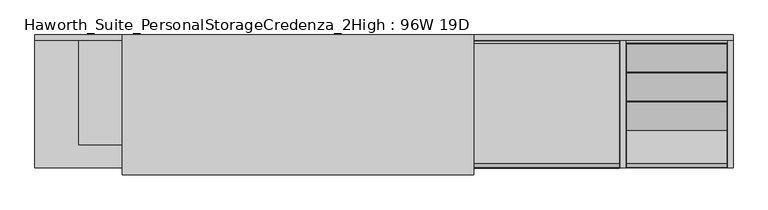
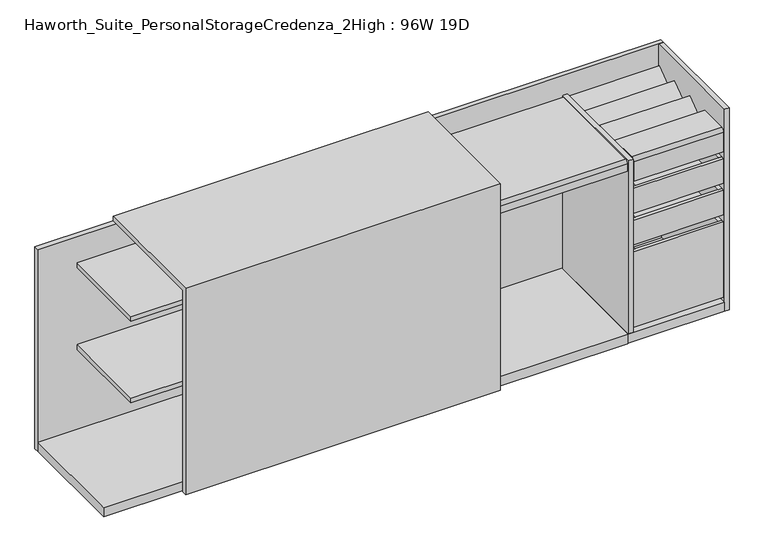
"""IFC4 building model written with IfcOpenShell, lengths in millimetres: furniture geometry, Haworth_Suite_PersonalStorageCredenza_2High : 96W 19D."""

from ifc_helpers import new_model, si_unit, point, frame, frame_2d, origin, origin_with_axes, place, context, project, spatial, polyline, circle_curve, trimmed, segment, composite_curve, outline, extrude, source, transform, mapped, element, save


def haworth_suite_personalstoragecredenza_2high_96w_19d_a63106ba(model_context):
    return source(origin(), model_context, "Body", "SweptSolid", [
        extrude(outline(polyline([(1171.575, -582.6125), (1171.575, -201.6125), (1184.275, -201.6125), (1184.275, -582.6125), (1171.575, -582.6125)])), frame((0.0, 0.0, 527.05), z_axis=(0.0, 0.0, 1.0), x_axis=(1.0, 0.0, 0.0)), (0.0, 0.0, 1.0), 101.6),
        extrude(outline(polyline([(835.025, -201.6125), (847.725, -201.6125), (847.725, -582.6125), (835.025, -582.6125), (835.025, -201.6125)])), frame((0.0, 0.0, 527.05), z_axis=(0.0, 0.0, 1.0), x_axis=(1.0, 0.0, 0.0)), (0.0, 0.0, 1.0), 101.6),
        extrude(outline(polyline([(835.025, -201.6125), (835.025, -188.9125), (1184.275, -188.9125), (1184.275, -201.6125), (835.025, -201.6125)])), frame((0.0, 0.0, 527.05), z_axis=(0.0, 0.0, 1.0), x_axis=(1.0, 0.0, 0.0)), (0.0, 0.0, 1.0), 101.6),
        extrude(outline(polyline([(835.025, -595.3125), (835.025, -582.6125), (1184.275, -582.6125), (1184.275, -595.3125), (835.025, -595.3125)])), frame((0.0, 0.0, 527.05), z_axis=(0.0, 0.0, 1.0), x_axis=(1.0, 0.0, 0.0)), (0.0, 0.0, 1.0), 101.6),
        extrude(outline(polyline([(847.725, -582.6125), (847.725, -201.6125), (1171.575, -201.6125), (1171.575, -582.6125), (847.725, -582.6125)])), frame((0.0, 0.0, 527.05), z_axis=(0.0, 0.0, 1.0), x_axis=(1.0, 0.0, 0.0)), (0.0, 0.0, 1.0), 12.7),
        extrude(outline(polyline([(-163.5125, 749.3), (-162.3785714, 748.1660714), (-263.9785714, 671.9660714), (-265.1125, 673.1), (-163.5125, 749.3)])), frame((835.025, 0.0, 0.0), z_axis=(1.0, 0.0, 0.0), x_axis=(0.0, 1.0, 0.0)), (0.0, 0.0, 1.0), 349.25),
        extrude(outline(polyline([(-366.7125, 749.3), (-365.5785714, 748.1660714), (-467.1785714, 671.9660714), (-468.3125, 673.1), (-366.7125, 749.3)])), frame((835.025, 0.0, 0.0), z_axis=(1.0, 0.0, 0.0), x_axis=(0.0, 1.0, 0.0)), (0.0, 0.0, 1.0), 349.25),
        extrude(outline(polyline([(0.0, -127.0), (0.0, 0.0), (349.25, 0.0), (349.25, -127.0), (0.0, -127.0)])), frame((835.025, -264.16, 748.03), z_axis=(0.0, -0.5999999999999731, 0.8000000000000203), x_axis=(1.0, 0.0, 0.0)), (0.0, 0.0, 1.0), 1.5875),
        extrude(outline(polyline([(835.025, -593.725), (835.025, -163.5125), (1184.275, -163.5125), (1184.275, -593.725), (835.025, -593.725)])), frame((0.0, 0.0, 657.225), z_axis=(0.0, 0.0, 1.0), x_axis=(1.0, 0.0, 0.0)), (0.0, 0.0, 1.0), 15.875),
        extrude(outline(composite_curve([segment(trimmed(circle_curve(frame_2d((-582.6125, 738.1875)), 12.7), [point((-595.3125, 738.1875))], [point((-582.6125, 750.8875))], False, "CARTESIAN"), True, "CONTINUOUS"), segment(polyline([(-582.6125, 750.8875), (-468.3125, 750.8875), (-468.3125, 749.3), (-582.6125, 749.3)]), True, "CONTINUOUS"), segment(trimmed(circle_curve(frame_2d((-582.6125, 738.1875)), 11.1125), [point((-582.6125, 749.3))], [point((-593.725, 738.1875))], True, "CARTESIAN"), True, "CONTINUOUS"), segment(polyline([(-593.725, 738.1875), (-593.725, 657.225), (-595.3125, 657.225), (-595.3125, 738.1875)]), True, "CONTINUOUS")], self_intersect=False)), frame((835.025, 0.0, 0.0), z_axis=(1.0, 0.0, 0.0), x_axis=(0.0, 1.0, 0.0)), (0.0, 0.0, 1.0), 349.25),
        extrude(outline(polyline([(-304.4825, 720.725), (-304.4825, 479.425), (-153.9875, 479.425), (-153.9875, 504.825), (-152.4, 504.825), (-152.4, 477.8375), (-306.07, 477.8375), (-306.07, 719.1375), (-329.8825, 719.1375), (-329.8825, 720.725), (-304.4825, 720.725)])), frame((-9.525, 0.0, 0.0), z_axis=(1.0, 0.0, 0.0), x_axis=(0.0, 1.0, 0.0)), (0.0, 0.0, 1.0), 819.15),
        extrude(outline(polyline([(-598.4875, 0.0), (-598.4875, 39.6875), (-152.4, 39.6875), (-152.4, 38.1), (-596.9, 38.1), (-596.9, 0.0), (-598.4875, 0.0)])), frame((-9.525, 0.0, 0.0), z_axis=(1.0, 0.0, 0.0), x_axis=(0.0, 1.0, 0.0)), (0.0, 0.0, 1.0), 819.15),
        extrude(outline(composite_curve([segment(trimmed(circle_curve(frame_2d((-582.6125, 738.1875)), 12.7), [point((-595.3125, 738.1875))], [point((-582.6125, 750.8875))], False, "CARTESIAN"), True, "CONTINUOUS"), segment(polyline([(-582.6125, 750.8875), (-163.5125, 750.8875), (-163.5125, 749.3), (-582.6125, 749.3)]), True, "CONTINUOUS"), segment(trimmed(circle_curve(frame_2d((-582.6125, 738.1875)), 11.1125), [point((-582.6125, 749.3))], [point((-593.725, 738.1875))], True, "CARTESIAN"), True, "CONTINUOUS"), segment(polyline([(-593.725, 738.1875), (-593.725, 708.025), (-595.3125, 708.025), (-595.3125, 738.1875)]), True, "CONTINUOUS")], self_intersect=False)), frame((-9.525, 0.0, 0.0), z_axis=(1.0, 0.0, 0.0), x_axis=(0.0, 1.0, 0.0)), (0.0, 0.0, 1.0), 819.15),
        extrude(outline(polyline([(1171.575, -582.6125), (1171.575, -201.6125), (1184.275, -201.6125), (1184.275, -582.6125), (1171.575, -582.6125)])), frame((0.0, 0.0, 396.875), z_axis=(0.0, 0.0, 1.0), x_axis=(1.0, 0.0, 0.0)), (0.0, 0.0, 1.0), 101.6),
        extrude(outline(polyline([(835.025, -201.6125), (847.725, -201.6125), (847.725, -582.6125), (835.025, -582.6125), (835.025, -201.6125)])), frame((0.0, 0.0, 396.875), z_axis=(0.0, 0.0, 1.0), x_axis=(1.0, 0.0, 0.0)), (0.0, 0.0, 1.0), 101.6),
        extrude(outline(polyline([(835.025, -201.6125), (835.025, -188.9125), (1184.275, -188.9125), (1184.275, -201.6125), (835.025, -201.6125)])), frame((0.0, 0.0, 396.875), z_axis=(0.0, 0.0, 1.0), x_axis=(1.0, 0.0, 0.0)), (0.0, 0.0, 1.0), 101.6),
        extrude(outline(polyline([(835.025, -595.3125), (835.025, -582.6125), (1184.275, -582.6125), (1184.275, -595.3125), (835.025, -595.3125)])), frame((0.0, 0.0, 396.875), z_axis=(0.0, 0.0, 1.0), x_axis=(1.0, 0.0, 0.0)), (0.0, 0.0, 1.0), 101.6),
        extrude(outline(polyline([(847.725, -582.6125), (847.725, -201.6125), (1171.575, -201.6125), (1171.575, -582.6125), (847.725, -582.6125)])), frame((0.0, 0.0, 396.875), z_axis=(0.0, 0.0, 1.0), x_axis=(1.0, 0.0, 0.0)), (0.0, 0.0, 1.0), 12.7),
        extrude(outline(polyline([(1171.575, -582.6125), (1171.575, -201.6125), (1184.275, -201.6125), (1184.275, -582.6125), (1171.575, -582.6125)])), frame((0.0, 0.0, 57.15), z_axis=(0.0, 0.0, 1.0), x_axis=(1.0, 0.0, 0.0)), (0.0, 0.0, 1.0), 311.15),
        extrude(outline(polyline([(835.025, -201.6125), (847.725, -201.6125), (847.725, -582.6125), (835.025, -582.6125), (835.025, -201.6125)])), frame((0.0, 0.0, 57.15), z_axis=(0.0, 0.0, 1.0), x_axis=(1.0, 0.0, 0.0)), (0.0, 0.0, 1.0), 311.15),
        extrude(outline(polyline([(835.025, -201.6125), (835.025, -188.9125), (1184.275, -188.9125), (1184.275, -201.6125), (835.025, -201.6125)])), frame((0.0, 0.0, 57.15), z_axis=(0.0, 0.0, 1.0), x_axis=(1.0, 0.0, 0.0)), (0.0, 0.0, 1.0), 311.15),
        extrude(outline(polyline([(835.025, -595.3125), (835.025, -582.6125), (1184.275, -582.6125), (1184.275, -595.3125), (835.025, -595.3125)])), frame((0.0, 0.0, 57.15), z_axis=(0.0, 0.0, 1.0), x_axis=(1.0, 0.0, 0.0)), (0.0, 0.0, 1.0), 311.15),
        extrude(outline(polyline([(847.725, -582.6125), (847.725, -201.6125), (1171.575, -201.6125), (1171.575, -582.6125), (847.725, -582.6125)])), frame((0.0, 0.0, 57.15), z_axis=(0.0, 0.0, 1.0), x_axis=(1.0, 0.0, 0.0)), (0.0, 0.0, 1.0), 12.7),
        extrude(outline(polyline([(-31.75, -152.4), (-31.75, -517.525), (-1079.5, -517.525), (-1079.5, -152.4), (-31.75, -152.4)])), frame((0.0, 0.0, 704.85), z_axis=(0.0, 0.0, 1.0), x_axis=(1.0, 0.0, 0.0)), (0.0, 0.0, 1.0), 19.05),
        extrude(outline(polyline([(-603.25, 0.0), (-622.3, 0.0), (-622.3, 850.9), (-133.35, 850.9), (-133.35, 831.85), (-603.25, 831.85), (-603.25, 0.0)])), frame((-927.1, 0.0, 0.0), z_axis=(1.0, 0.0, 0.0), x_axis=(0.0, 1.0, 0.0)), (0.0, 0.0, 1.0), 1227.1375),
        extrude(outline(polyline([(831.85, -596.9), (812.8, -596.9), (812.8, -152.4), (831.85, -152.4), (831.85, -596.9)])), frame((0.0, 0.0, 38.1), z_axis=(0.0, 0.0, 1.0), x_axis=(1.0, 0.0, 0.0)), (0.0, 0.0, 1.0), 712.7875),
        extrude(outline(polyline([(-12.7, -596.9), (-31.75, -596.9), (-31.75, -152.4), (-12.7, -152.4), (-12.7, -596.9)])), frame((0.0, 0.0, 38.1), z_axis=(0.0, 0.0, 1.0), x_axis=(1.0, 0.0, 0.0)), (0.0, 0.0, 1.0), 793.75),
        extrude(outline(polyline([(-31.75, -152.4), (-31.75, -517.525), (-1079.5, -517.525), (-1079.5, -152.4), (-31.75, -152.4)])), frame((0.0, 0.0, 368.3), z_axis=(0.0, 0.0, 1.0), x_axis=(1.0, 0.0, 0.0)), (0.0, 0.0, 1.0), 19.05),
        extrude(outline(polyline([(1206.5, -133.35), (1206.5, -152.4), (-1231.9, -152.4), (-1231.9, -133.35), (1206.5, -133.35)])), origin_with_axes(), (0.0, 0.0, 1.0), 831.85),
        extrude(outline(polyline([(1187.45, -152.4), (1187.45, -596.9), (-1231.9, -596.9), (-1231.9, -152.4), (1187.45, -152.4)])), origin_with_axes(), (0.0, 0.0, 1.0), 38.1),
        extrude(outline(polyline([(1206.5, -596.9), (1187.45, -596.9), (1187.45, -152.4), (1206.5, -152.4), (1206.5, -596.9)])), origin_with_axes(), (0.0, 0.0, 1.0), 831.85),
    ])


if __name__ == "__main__":
    model = new_model("IFC4")
    model_context = context("Model", 3, world=origin())
    ifc_project = project(units=[si_unit("LENGTHUNIT", "METRE", prefix="MILLI")], contexts=[model_context])
    site = spatial("IfcSite", under=ifc_project)
    building = spatial("IfcBuilding", under=site)
    placement = place(None, origin())
    haworth_suite_personalstoragecredenza_2high_96w_19d_shape = haworth_suite_personalstoragecredenza_2high_96w_19d_a63106ba(model_context)
    element("IfcFurniture", 1, ObjectType="Haworth_Suite_PersonalStorageCredenza_2High : 96W 19D", at=placement, inside=building, context=model_context, shape_type="MappedRepresentation", body=[
        mapped(haworth_suite_personalstoragecredenza_2high_96w_19d_shape, transform((0.0, 0.0, 0.0), x_axis=(1.0, 0.0, 0.0), y_axis=(0.0, 1.0, 0.0), z_axis=(0.0, 0.0, 1.0))),
    ])
    save(model, "model.ifc")
